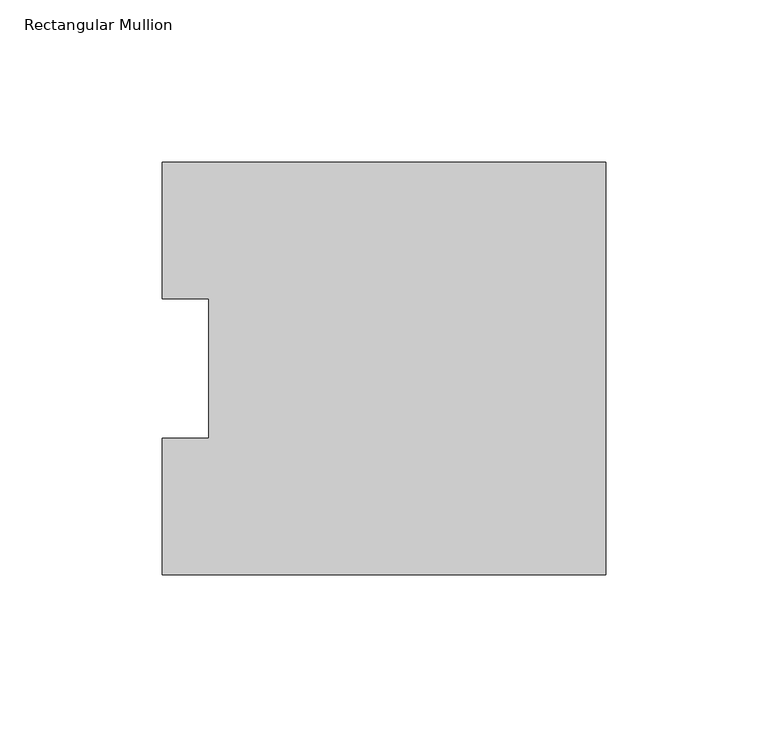
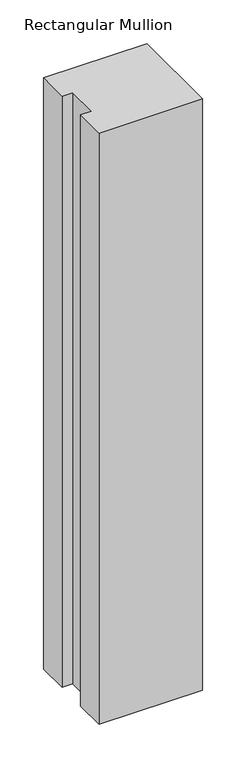
"""IFC4 building model written with IfcOpenShell, lengths in millimetres: member geometry, Rectangular Mullion."""

import ifcopenshell
import ifcopenshell.guid

model = None  # the IFC model being written
_history = None  # IfcOwnerHistory: only IFC2X3 demands one
_inside = {}  # id of a spatial element -> (the spatial element, [elements in it])
_under = {}  # id of a project, library or spatial element -> (it, [spatial elements below it])
_declared = {}  # id of a project -> (the project, [libraries it declares])
_typed = {}  # id of a type object -> (the type object, [elements of that type])
_made_of = {}  # id of a material, layer set ... -> (it, [elements and type objects made of it])


def new_model(schema):
    """Start an empty IFC model of exactly this schema.

    Asked for "IFC4X3", IfcOpenShell would pick the latest addendum, in which some entities
    have other attributes; the version numbers below select the first issue.
    IFC2X3 requires an IfcOwnerHistory on every rooted entity: one is made here for all.
    """
    global model, _history
    if schema == "IFC4X3":
        model = ifcopenshell.file(schema_version=(4, 3, 0, 0))
    else:
        model = ifcopenshell.file(schema=schema)
    _inside.clear()
    _under.clear()
    _declared.clear()
    _typed.clear()
    _made_of.clear()
    _history = None
    if model.schema == "IFC2X3":
        org = make("IfcOrganization", Name="unknown")
        user = make(
            "IfcPersonAndOrganization",
            ThePerson=make("IfcPerson", FamilyName="unknown"),
            TheOrganization=org,
        )
        app = make(
            "IfcApplication",
            ApplicationDeveloper=org,
            Version="unknown",
            ApplicationFullName="unknown",
            ApplicationIdentifier="unknown",
        )
        _history = make(
            "IfcOwnerHistory",
            OwningUser=user,
            OwningApplication=app,
            ChangeAction="ADDED",
            CreationDate=0,
        )
    return model


def make(cls, **values):
    """One entity of the class cls with the attributes given. An attribute that is None is left unset."""
    return model.create_entity(
        cls, **{name: value for name, value in values.items() if value is not None}
    )


def rooted(cls, **values):
    """An entity with a GlobalId (a new one), such as an element, a storey or a relation."""
    return make(cls, GlobalId=ifcopenshell.guid.new(), OwnerHistory=_history, **values)


def si_unit(unit_type, name, prefix=None):
    """IfcSIUnit, for example si_unit("LENGTHUNIT", "METRE", prefix="MILLI")."""
    return make("IfcSIUnit", UnitType=unit_type, Prefix=prefix, Name=name)


def assignment(units):
    """IfcUnitAssignment: the units of a project."""
    return None if units is None else make("IfcUnitAssignment", Units=units)


def point(xyz):
    """IfcCartesianPoint."""
    return None if xyz is None else make("IfcCartesianPoint", Coordinates=xyz)


def direction(xyz):
    """IfcDirection."""
    return None if xyz is None else make("IfcDirection", DirectionRatios=xyz)


def frame(location, z_axis=None, x_axis=None):
    """IfcAxis2Placement3D, a coordinate frame: its origin and axes. An axis left out is left unset."""
    return make(
        "IfcAxis2Placement3D",
        Location=point(location),
        Axis=direction(z_axis),
        RefDirection=direction(x_axis),
    )


def origin():
    """The frame at (0, 0, 0) with its axes left unset."""
    return frame((0.0, 0.0, 0.0))


def place(relative_to, where):
    """IfcLocalPlacement: puts the frame where relative to a parent placement (None: the world)."""
    return make(
        "IfcLocalPlacement", PlacementRelTo=relative_to, RelativePlacement=where
    )


def context(
    kind, dimensions, precision=None, world=None, true_north=None, identifier=None
):
    """IfcGeometricRepresentationContext, for example the 3D "Model" context."""
    return make(
        "IfcGeometricRepresentationContext",
        ContextIdentifier=identifier,
        ContextType=kind,
        CoordinateSpaceDimension=dimensions,
        Precision=precision,
        WorldCoordinateSystem=world,
        TrueNorth=true_north,
    )


def project(units=None, contexts=None):
    """IfcProject with its units and contexts."""
    return rooted(
        "IfcProject",
        Name="project",
        RepresentationContexts=contexts,
        UnitsInContext=assignment(units),
    )


def spatial(cls, under=None, at=None, **own):
    """A site, building, storey or space (cls), placed at a placement, below another one or the project."""
    s = rooted(cls, ObjectPlacement=at, **own)
    if under is not None:
        _under.setdefault(under.id(), (under, []))[1].append(s)
    return s


def polyline(points):
    """IfcPolyline through the points."""
    return make("IfcPolyline", Points=[point(p) for p in points])


def outline(outer, holes=None, kind="AREA"):
    """IfcArbitraryClosedProfileDef: a profile drawn as a closed curve; with holes, ...WithVoids."""
    if holes is None:
        return make("IfcArbitraryClosedProfileDef", ProfileType=kind, OuterCurve=outer)
    return make(
        "IfcArbitraryProfileDefWithVoids",
        ProfileType=kind,
        OuterCurve=outer,
        InnerCurves=holes,
    )


def extrude(swept, where, along, depth):
    """IfcExtrudedAreaSolid: the profile swept, set in the frame where, extruded along a direction by depth."""
    return make(
        "IfcExtrudedAreaSolid",
        SweptArea=swept,
        Position=where,
        ExtrudedDirection=direction(along),
        Depth=depth,
    )


def shape(context_of_items, identifier, shape_type, items):
    """IfcShapeRepresentation: the items that make up one representation, for example the "Body"."""
    return make(
        "IfcShapeRepresentation",
        ContextOfItems=context_of_items,
        RepresentationIdentifier=identifier,
        RepresentationType=shape_type,
        Items=items,
    )


def source(mapping_origin, context_of_items, identifier, shape_type, items):
    """IfcRepresentationMap: a shape defined once, which mapped items show again and again."""
    return make(
        "IfcRepresentationMap",
        MappingOrigin=mapping_origin,
        MappedRepresentation=shape(context_of_items, identifier, shape_type, items),
    )


def transform(
    local_origin,
    x_axis=None,
    y_axis=None,
    z_axis=None,
    scale=None,
    scale2=None,
    scale3=None,
    uniform=True,
):
    """IfcCartesianTransformationOperator3D, or its non-uniform kind. x_axis, y_axis, z_axis: its Axis1, 2, 3."""
    if uniform:
        return make(
            "IfcCartesianTransformationOperator3D",
            Axis1=direction(x_axis),
            Axis2=direction(y_axis),
            LocalOrigin=point(local_origin),
            Scale=scale,
            Axis3=direction(z_axis),
        )
    return make(
        "IfcCartesianTransformationOperator3DnonUniform",
        Axis1=direction(x_axis),
        Axis2=direction(y_axis),
        LocalOrigin=point(local_origin),
        Scale=scale,
        Axis3=direction(z_axis),
        Scale2=scale2,
        Scale3=scale3,
    )


def mapped(mapping_source, mapping_target):
    """IfcMappedItem: shows the shape of a source again, moved by a transform."""
    return make(
        "IfcMappedItem", MappingSource=mapping_source, MappingTarget=mapping_target
    )


def made_of(thing, what):
    """Note that an element or type object is made of a material, layer set ...; save() writes the relation."""
    if what is not None:
        _made_of.setdefault(what.id(), (what, []))[1].append(thing)
    return thing


def element(
    cls,
    number,
    at=None,
    inside=None,
    cuts=None,
    type_object=None,
    material=None,
    context=None,
    identifier="Body",
    shape_type=None,
    held_by="IfcProductDefinitionShape",
    body=None,
    shapes=None,
    **own,
):
    """One element of the class cls, such as IfcWall. Its Tag is "e" and its number.

    at: its placement. inside: the storey or other place that contains it. cuts: it is an
    opening in that element (IfcRelVoidsElement). A single representation is given by context,
    identifier, shape_type and body (its items); several are given by shapes. held_by: the class
    of the entity that holds the representations. save() writes the other relations.
    """
    e = rooted(cls, Tag="e%d" % number, ObjectPlacement=at, **own)
    if body is not None:
        shapes = [shape(context, identifier, shape_type, body)]
    if shapes is not None:
        e.Representation = make(held_by, Representations=shapes)
    if inside is not None:
        _inside.setdefault(inside.id(), (inside, []))[1].append(e)
    if cuts is not None:
        rooted(
            "IfcRelVoidsElement", RelatingBuildingElement=cuts, RelatedOpeningElement=e
        )
    if type_object is not None:
        _typed.setdefault(type_object.id(), (type_object, []))[1].append(e)
    return made_of(e, material)


def aggregate(whole, parts):
    """IfcRelAggregates: a whole, such as a stair, and the parts it consists of."""
    return rooted("IfcRelAggregates", RelatingObject=whole, RelatedObjects=parts)


def save(model, path):
    """Write the relations noted so far, then the file.

    IfcRelAggregates (storeys below a building ...), IfcRelContainedInSpatialStructure (elements
    in a storey), IfcRelDefinesByType, IfcRelAssociatesMaterial and IfcRelDeclares: one each for
    every whole, place, type object, material and project.
    """
    for whole, parts in _under.values():
        aggregate(whole, parts)
    for where, things in _inside.values():
        rooted(
            "IfcRelContainedInSpatialStructure",
            RelatedElements=things,
            RelatingStructure=where,
        )
    for kind, things in _typed.values():
        rooted("IfcRelDefinesByType", RelatedObjects=things, RelatingType=kind)
    for what, things in _made_of.values():
        rooted("IfcRelAssociatesMaterial", RelatedObjects=things, RelatingMaterial=what)
    for by, libraries in _declared.values():
        rooted("IfcRelDeclares", RelatingContext=by, RelatedDefinitions=libraries)
    model.write(path)


def rectangular_mullion_0f330992(model_context):
    return source(origin(), model_context, "Body", "SweptSolid", [
        extrude(outline(polyline([(0.0, 126.7086937), (0.0, -0.2913063), (-136.525, -0.2913063), (-136.525, 41.7837937), (-122.2375, 41.7837937), (-122.2375, 84.6335937), (-136.525, 84.6335937), (-136.525, 126.7086937), (0.0, 126.7086937)])), frame((0.0, 0.0, -825.5176747), z_axis=(0.0, 0.0, 1.0), x_axis=(1.0, 0.0, 0.0)), (0.0, 0.0, 1.0), 825.5176747),
    ])


if __name__ == "__main__":
    model = new_model("IFC4")
    model_context = context("Model", 3, world=origin())
    ifc_project = project(units=[si_unit("LENGTHUNIT", "METRE", prefix="MILLI")], contexts=[model_context])
    site = spatial("IfcSite", under=ifc_project)
    building = spatial("IfcBuilding", under=site)
    placement = place(None, origin())
    rectangular_mullion_shape = rectangular_mullion_0f330992(model_context)
    element("IfcMember", 1, ObjectType="Rectangular Mullion", at=placement, inside=building, context=model_context, shape_type="MappedRepresentation", body=[
        mapped(rectangular_mullion_shape, transform((0.0, 0.0, 0.0), x_axis=(1.0, 0.0, 0.0), y_axis=(0.0, 1.0, 0.0), z_axis=(0.0, 0.0, 1.0))),
    ])
    save(model, "model.ifc")
